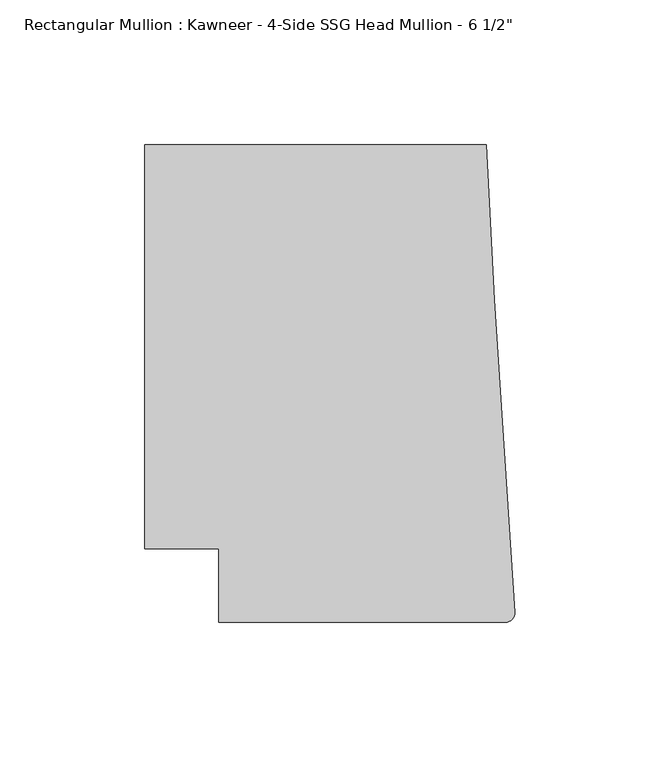
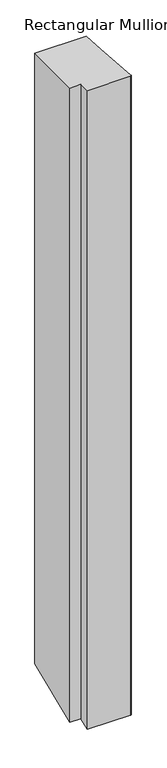
"""IFC4 building model written with IfcOpenShell, lengths in millimetres: member geometry."""

import ifcopenshell
import ifcopenshell.guid

model = None  # the IFC model being written
_history = None  # IfcOwnerHistory: only IFC2X3 demands one
_inside = {}  # id of a spatial element -> (the spatial element, [elements in it])
_under = {}  # id of a project, library or spatial element -> (it, [spatial elements below it])
_declared = {}  # id of a project -> (the project, [libraries it declares])
_typed = {}  # id of a type object -> (the type object, [elements of that type])
_made_of = {}  # id of a material, layer set ... -> (it, [elements and type objects made of it])


def new_model(schema):
    """Start an empty IFC model of exactly this schema.

    Asked for "IFC4X3", IfcOpenShell would pick the latest addendum, in which some entities
    have other attributes; the version numbers below select the first issue.
    IFC2X3 requires an IfcOwnerHistory on every rooted entity: one is made here for all.
    """
    global model, _history
    if schema == "IFC4X3":
        model = ifcopenshell.file(schema_version=(4, 3, 0, 0))
    else:
        model = ifcopenshell.file(schema=schema)
    _inside.clear()
    _under.clear()
    _declared.clear()
    _typed.clear()
    _made_of.clear()
    _history = None
    if model.schema == "IFC2X3":
        org = make("IfcOrganization", Name="unknown")
        user = make(
            "IfcPersonAndOrganization",
            ThePerson=make("IfcPerson", FamilyName="unknown"),
            TheOrganization=org,
        )
        app = make(
            "IfcApplication",
            ApplicationDeveloper=org,
            Version="unknown",
            ApplicationFullName="unknown",
            ApplicationIdentifier="unknown",
        )
        _history = make(
            "IfcOwnerHistory",
            OwningUser=user,
            OwningApplication=app,
            ChangeAction="ADDED",
            CreationDate=0,
        )
    return model


def make(cls, **values):
    """One entity of the class cls with the attributes given. An attribute that is None is left unset."""
    return model.create_entity(
        cls, **{name: value for name, value in values.items() if value is not None}
    )


def rooted(cls, **values):
    """An entity with a GlobalId (a new one), such as an element, a storey or a relation."""
    return make(cls, GlobalId=ifcopenshell.guid.new(), OwnerHistory=_history, **values)


def si_unit(unit_type, name, prefix=None):
    """IfcSIUnit, for example si_unit("LENGTHUNIT", "METRE", prefix="MILLI")."""
    return make("IfcSIUnit", UnitType=unit_type, Prefix=prefix, Name=name)


def assignment(units):
    """IfcUnitAssignment: the units of a project."""
    return None if units is None else make("IfcUnitAssignment", Units=units)


def point(xyz):
    """IfcCartesianPoint."""
    return None if xyz is None else make("IfcCartesianPoint", Coordinates=xyz)


def direction(xyz):
    """IfcDirection."""
    return None if xyz is None else make("IfcDirection", DirectionRatios=xyz)


def frame(location, z_axis=None, x_axis=None):
    """IfcAxis2Placement3D, a coordinate frame: its origin and axes. An axis left out is left unset."""
    return make(
        "IfcAxis2Placement3D",
        Location=point(location),
        Axis=direction(z_axis),
        RefDirection=direction(x_axis),
    )


def origin():
    """The frame at (0, 0, 0) with its axes left unset."""
    return frame((0.0, 0.0, 0.0))


def place(relative_to, where):
    """IfcLocalPlacement: puts the frame where relative to a parent placement (None: the world)."""
    return make(
        "IfcLocalPlacement", PlacementRelTo=relative_to, RelativePlacement=where
    )


def context(
    kind, dimensions, precision=None, world=None, true_north=None, identifier=None
):
    """IfcGeometricRepresentationContext, for example the 3D "Model" context."""
    return make(
        "IfcGeometricRepresentationContext",
        ContextIdentifier=identifier,
        ContextType=kind,
        CoordinateSpaceDimension=dimensions,
        Precision=precision,
        WorldCoordinateSystem=world,
        TrueNorth=true_north,
    )


def project(units=None, contexts=None):
    """IfcProject with its units and contexts."""
    return rooted(
        "IfcProject",
        Name="project",
        RepresentationContexts=contexts,
        UnitsInContext=assignment(units),
    )


def spatial(cls, under=None, at=None, **own):
    """A site, building, storey or space (cls), placed at a placement, below another one or the project."""
    s = rooted(cls, ObjectPlacement=at, **own)
    if under is not None:
        _under.setdefault(under.id(), (under, []))[1].append(s)
    return s


def circle_curve(where, radius):
    """IfcCircle in the frame where."""
    return make("IfcCircle", Position=where, Radius=radius)


def ellipse_curve(where, semi_axis1, semi_axis2):
    """IfcEllipse in the frame where."""
    return make(
        "IfcEllipse", Position=where, SemiAxis1=semi_axis1, SemiAxis2=semi_axis2
    )


def shape(context_of_items, identifier, shape_type, items):
    """IfcShapeRepresentation: the items that make up one representation, for example the "Body"."""
    return make(
        "IfcShapeRepresentation",
        ContextOfItems=context_of_items,
        RepresentationIdentifier=identifier,
        RepresentationType=shape_type,
        Items=items,
    )


def source(mapping_origin, context_of_items, identifier, shape_type, items):
    """IfcRepresentationMap: a shape defined once, which mapped items show again and again."""
    return make(
        "IfcRepresentationMap",
        MappingOrigin=mapping_origin,
        MappedRepresentation=shape(context_of_items, identifier, shape_type, items),
    )


def transform(
    local_origin,
    x_axis=None,
    y_axis=None,
    z_axis=None,
    scale=None,
    scale2=None,
    scale3=None,
    uniform=True,
):
    """IfcCartesianTransformationOperator3D, or its non-uniform kind. x_axis, y_axis, z_axis: its Axis1, 2, 3."""
    if uniform:
        return make(
            "IfcCartesianTransformationOperator3D",
            Axis1=direction(x_axis),
            Axis2=direction(y_axis),
            LocalOrigin=point(local_origin),
            Scale=scale,
            Axis3=direction(z_axis),
        )
    return make(
        "IfcCartesianTransformationOperator3DnonUniform",
        Axis1=direction(x_axis),
        Axis2=direction(y_axis),
        LocalOrigin=point(local_origin),
        Scale=scale,
        Axis3=direction(z_axis),
        Scale2=scale2,
        Scale3=scale3,
    )


def mapped(mapping_source, mapping_target):
    """IfcMappedItem: shows the shape of a source again, moved by a transform."""
    return make(
        "IfcMappedItem", MappingSource=mapping_source, MappingTarget=mapping_target
    )


def made_of(thing, what):
    """Note that an element or type object is made of a material, layer set ...; save() writes the relation."""
    if what is not None:
        _made_of.setdefault(what.id(), (what, []))[1].append(thing)
    return thing


def element(
    cls,
    number,
    at=None,
    inside=None,
    cuts=None,
    type_object=None,
    material=None,
    context=None,
    identifier="Body",
    shape_type=None,
    held_by="IfcProductDefinitionShape",
    body=None,
    shapes=None,
    **own,
):
    """One element of the class cls, such as IfcWall. Its Tag is "e" and its number.

    at: its placement. inside: the storey or other place that contains it. cuts: it is an
    opening in that element (IfcRelVoidsElement). A single representation is given by context,
    identifier, shape_type and body (its items); several are given by shapes. held_by: the class
    of the entity that holds the representations. save() writes the other relations.
    """
    e = rooted(cls, Tag="e%d" % number, ObjectPlacement=at, **own)
    if body is not None:
        shapes = [shape(context, identifier, shape_type, body)]
    if shapes is not None:
        e.Representation = make(held_by, Representations=shapes)
    if inside is not None:
        _inside.setdefault(inside.id(), (inside, []))[1].append(e)
    if cuts is not None:
        rooted(
            "IfcRelVoidsElement", RelatingBuildingElement=cuts, RelatedOpeningElement=e
        )
    if type_object is not None:
        _typed.setdefault(type_object.id(), (type_object, []))[1].append(e)
    return made_of(e, material)


def aggregate(whole, parts):
    """IfcRelAggregates: a whole, such as a stair, and the parts it consists of."""
    return rooted("IfcRelAggregates", RelatingObject=whole, RelatedObjects=parts)


def save(model, path):
    """Write the relations noted so far, then the file.

    IfcRelAggregates (storeys below a building ...), IfcRelContainedInSpatialStructure (elements
    in a storey), IfcRelDefinesByType, IfcRelAssociatesMaterial and IfcRelDeclares: one each for
    every whole, place, type object, material and project.
    """
    for whole, parts in _under.values():
        aggregate(whole, parts)
    for where, things in _inside.values():
        rooted(
            "IfcRelContainedInSpatialStructure",
            RelatedElements=things,
            RelatingStructure=where,
        )
    for kind, things in _typed.values():
        rooted("IfcRelDefinesByType", RelatedObjects=things, RelatingType=kind)
    for what, things in _made_of.values():
        rooted("IfcRelAssociatesMaterial", RelatedObjects=things, RelatingMaterial=what)
    for by, libraries in _declared.values():
        rooted("IfcRelDeclares", RelatingContext=by, RelatedDefinitions=libraries)
    model.write(path)


def plane_surface(at):
    """IfcPlane: the flat surface through the origin of the frame at, square to its z axis."""
    return make("IfcPlane", Position=at)


def cylinder_surface(at, radius):
    """IfcCylindricalSurface: all points at the distance radius from the z axis of the frame at."""
    return make("IfcCylindricalSurface", Position=at, Radius=radius)


def advanced_brep(points, edges, surfaces, faces):
    """IfcAdvancedBrep: a solid bounded by faces that lie on surfaces and meet in shared edges.

    An edge is (start, end): straight between two places in points (the first is 0);
    or (start, end, curve); or (start, end, curve, False) where it runs against its curve.
    A face is (place in surfaces, loops), or (place, loops, False) where it looks against
    its surface's normal. A loop lists edges by number (the first is 1), with a minus sign
    where the edge is run from its end to its start. The first loop is the outer one.
    """
    corners = [point(p) for p in points]
    vertices = [make("IfcVertexPoint", VertexGeometry=c) for c in corners]
    made = []
    for start, end, *more in edges:
        made.append(
            make(
                "IfcEdgeCurve",
                EdgeStart=vertices[start],
                EdgeEnd=vertices[end],
                EdgeGeometry=more[0] if more else make("IfcPolyline", Points=[corners[start], corners[end]]),
                SameSense=more[1] if len(more) > 1 else True,
            )
        )
    hull = []
    for where, loops, *sense in faces:
        bounds = []
        for j, loop in enumerate(loops):
            ring = [make("IfcOrientedEdge", EdgeElement=made[abs(k) - 1], Orientation=k > 0) for k in loop]
            bounds.append(
                make(
                    "IfcFaceOuterBound" if j == 0 else "IfcFaceBound",
                    Bound=make("IfcEdgeLoop", EdgeList=ring),
                    Orientation=True,
                )
            )
        hull.append(make("IfcAdvancedFace", Bounds=bounds, FaceSurface=surfaces[where], SameSense=sense[0] if sense else True))
    return make("IfcAdvancedBrep", Outer=make("IfcClosedShell", CfsFaces=hull))


def member_c4bd5b2d(model_context):
    return source(origin(), model_context, "Body", "AdvancedBrep", [
        advanced_brep(
        [(-102.08978, -12.7, 0.0), (-3.175, -12.7, 0.0), (-0.006635, -9.3198462, 0.0), (-6.9873394, 98.4891117, 0.0), (-9.7860662, 151.892, 0.0), (-127.4896668, 151.892, 0.0), (-127.4896668, 12.7, 0.0), (-102.08978, 12.7, 0.0), (-102.08978, -12.7, -1550.0669453), (-3.175, -12.7, -1550.0669453), (-0.006635, -9.3198462, -1548.6668398), (-6.9873394, 98.4891117, -1504.0109073), (-9.7860662, 151.892, -1481.8907067), (-127.4896668, 151.892, -1481.8907067), (-127.4896668, 12.7, -1539.5459209), (-102.08978, 12.7, -1539.5459209)],
        [
            (0, 1),
            (1, 2, circle_curve(frame((-3.175, -9.525, 0.0), z_axis=(0.0, 0.0, 1.0), x_axis=(0.0, -1.0, 0.0)), 3.175)),
            (2, 3),
            (3, 4),
            (4, 5),
            (5, 6),
            (6, 7),
            (7, 0),
            (0, 8),
            (8, 9),
            (9, 1),
            (9, 10, ellipse_curve(frame((-3.175, -9.525, -1548.7518173), z_axis=(0.0, -0.38268343236508795, 0.9238795325112875), x_axis=(0.0, 0.9238795325112875, 0.3826834323650879)), 3.4365952, 3.175)),
            (10, 2),
            (10, 11),
            (11, 3),
            (11, 12),
            (12, 4),
            (12, 13),
            (13, 5),
            (13, 14),
            (14, 6),
            (14, 15),
            (15, 7),
            (15, 8),
        ],
        [
            plane_surface(frame((0.0, -198.3048028, 0.0), z_axis=(0.0, 0.0, 1.0), x_axis=(-1.0, 0.0, 0.0))),
            plane_surface(frame((-102.08978, -12.7, 0.0), z_axis=(0.0, -1.0, 0.0), x_axis=(0.0, 0.0, -1.0))),
            cylinder_surface(frame((-3.175, -9.525, 0.0), z_axis=(0.0, 0.0, 1.0), x_axis=(0.0, -1.0, 0.0)), 3.175),
            plane_surface(frame((-0.006635, -9.3198462, 0.0), z_axis=(0.9979102429769694, 0.06461537712995265, 0.0), x_axis=(0.0, 0.0, -1.0))),
            plane_surface(frame((-6.9873394, 98.4891117, 0.0), z_axis=(0.9986295347545738, 0.05233595624294541, 0.0), x_axis=(0.0, 0.0, -1.0))),
            plane_surface(frame((-9.7860662, 151.892, 0.0), z_axis=(0.0, 1.0, 0.0), x_axis=(0.0, 0.0, -1.0))),
            plane_surface(frame((-127.4896668, 151.892, 0.0), z_axis=(-1.0, 0.0, 0.0), x_axis=(0.0, 0.0, -1.0))),
            plane_surface(frame((-127.4896668, 12.7, 0.0), z_axis=(0.0, -1.0, 0.0), x_axis=(0.0, 0.0, -1.0))),
            plane_surface(frame((-102.08978, 12.7, 0.0), z_axis=(-1.0, 0.0, 0.0), x_axis=(0.0, 0.0, -1.0))),
            plane_surface(frame((-304.8, 0.0, -1544.8064331), z_axis=(0.0, 0.38268343236508795, -0.9238795325112875), x_axis=(0.0, 0.9238795325112875, 0.38268343236508795))),
        ],
        [
            (0, [[1, 2, 3, 4, 5, 6, 7, 8]]),
            (1, [[-1, 9, 10, 11]]),
            (2, [[-2, -11, 12, 13]]),
            (3, [[-3, -13, 14, 15]]),
            (4, [[-4, -15, 16, 17]]),
            (5, [[-5, -17, 18, 19]]),
            (6, [[-6, -19, 20, 21]]),
            (7, [[-7, -21, 22, 23]]),
            (8, [[-8, -23, 24, -9]]),
            (9, [[-24, -22, -20, -18, -16, -14, -12, -10]]),
        ],
    ),
    ])


if __name__ == "__main__":
    model = new_model("IFC4")
    model_context = context("Model", 3, world=origin())
    ifc_project = project(units=[si_unit("LENGTHUNIT", "METRE", prefix="MILLI")], contexts=[model_context])
    site = spatial("IfcSite", under=ifc_project)
    building = spatial("IfcBuilding", under=site)
    placement = place(None, origin())
    member_shape = member_c4bd5b2d(model_context)
    element("IfcMember", 1, ObjectType="Rectangular Mullion : Kawneer - 4-Side SSG Head Mullion - 6 1/2\"", at=placement, inside=building, context=model_context, shape_type="MappedRepresentation", body=[
        mapped(member_shape, transform((0.0, 0.0, 0.0), x_axis=(1.0, 0.0, 0.0), y_axis=(0.0, 1.0, 0.0), z_axis=(0.0, 0.0, 1.0))),
    ])
    save(model, "model.ifc")
